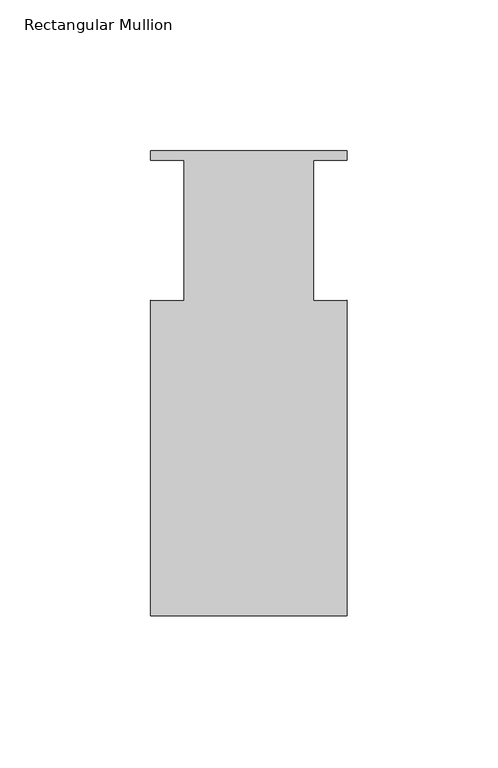
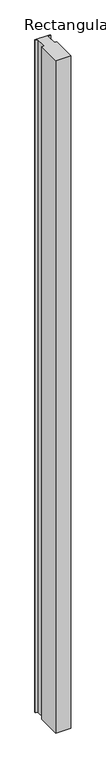
"""IFC4 building model written with IfcOpenShell, lengths in millimetres: member geometry, Rectangular Mullion."""

from ifc_helpers import new_model, si_unit, frame, origin, place, context, project, spatial, polyline, outline, extrude, source, transform, mapped, element, save


def rectangular_mullion_914ca6db(model_context):
    return source(origin(), model_context, "Body", "SweptSolid", [
        extrude(outline(polyline([(0.0, 76.9874), (0.0, 73.8124), (-11.1125, 73.8124), (-11.1125, 27.3579828), (0.0, 27.5316156), (0.0, -76.9874), (-65.0748, -76.9874), (-65.0748, 27.5490441), (-53.9623, 27.3512051), (-53.9623, 73.8124), (-65.0748, 73.8124), (-65.0748, 76.9874), (0.0, 76.9874)])), frame((0.0, 0.0, -3048.0), z_axis=(0.0, 0.0, 1.0), x_axis=(1.0, 0.0, 0.0)), (0.0, 0.0, 1.0), 3048.0),
    ])


if __name__ == "__main__":
    model = new_model("IFC4")
    model_context = context("Model", 3, world=origin())
    ifc_project = project(units=[si_unit("LENGTHUNIT", "METRE", prefix="MILLI")], contexts=[model_context])
    site = spatial("IfcSite", under=ifc_project)
    building = spatial("IfcBuilding", under=site)
    placement = place(None, origin())
    rectangular_mullion_shape = rectangular_mullion_914ca6db(model_context)
    element("IfcMember", 1, ObjectType="Rectangular Mullion", at=placement, inside=building, context=model_context, shape_type="MappedRepresentation", body=[
        mapped(rectangular_mullion_shape, transform((0.0, 0.0, 0.0), x_axis=(1.0, 0.0, 0.0), y_axis=(0.0, 1.0, 0.0), z_axis=(0.0, 0.0, 1.0))),
    ])
    save(model, "model.ifc")
